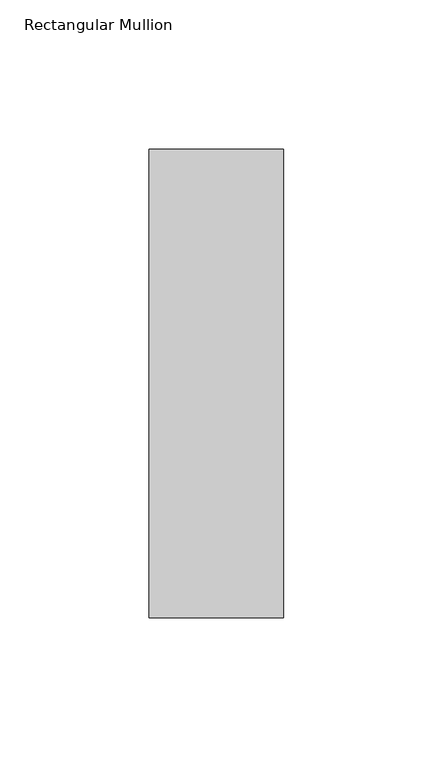
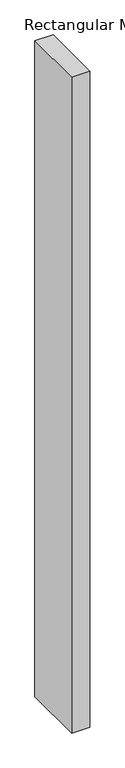
"""IFC4 building model written with IfcOpenShell, lengths in millimetres: member geometry, Rectangular Mullion."""

from ifc_helpers import new_model, si_unit, frame, origin, place, context, project, spatial, polyline, outline, extrude, source, transform, mapped, element, save


def rectangular_mullion_b43400b4(model_context):
    return source(origin(), model_context, "Body", "SweptSolid", [
        extrude(outline(polyline([(22.5, 113.875), (22.5, -42.875), (-22.5, -42.875), (-22.5, 113.875), (22.5, 113.875)])), frame((0.0, 0.0, -1708.8912252), z_axis=(0.0, 0.0, 1.0), x_axis=(1.0, 0.0, 0.0)), (0.0, 0.0, 1.0), 1708.8912252),
    ])


if __name__ == "__main__":
    model = new_model("IFC4")
    model_context = context("Model", 3, world=origin())
    ifc_project = project(units=[si_unit("LENGTHUNIT", "METRE", prefix="MILLI")], contexts=[model_context])
    site = spatial("IfcSite", under=ifc_project)
    building = spatial("IfcBuilding", under=site)
    placement = place(None, origin())
    rectangular_mullion_shape = rectangular_mullion_b43400b4(model_context)
    element("IfcMember", 1, ObjectType="Rectangular Mullion", at=placement, inside=building, context=model_context, shape_type="MappedRepresentation", body=[
        mapped(rectangular_mullion_shape, transform((0.0, 0.0, 0.0), x_axis=(1.0, 0.0, 0.0), y_axis=(0.0, 1.0, 0.0), z_axis=(0.0, 0.0, 1.0))),
    ])
    save(model, "model.ifc")
